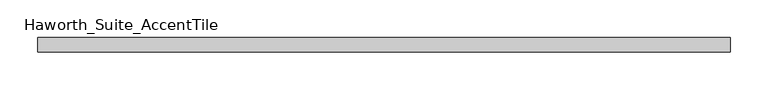
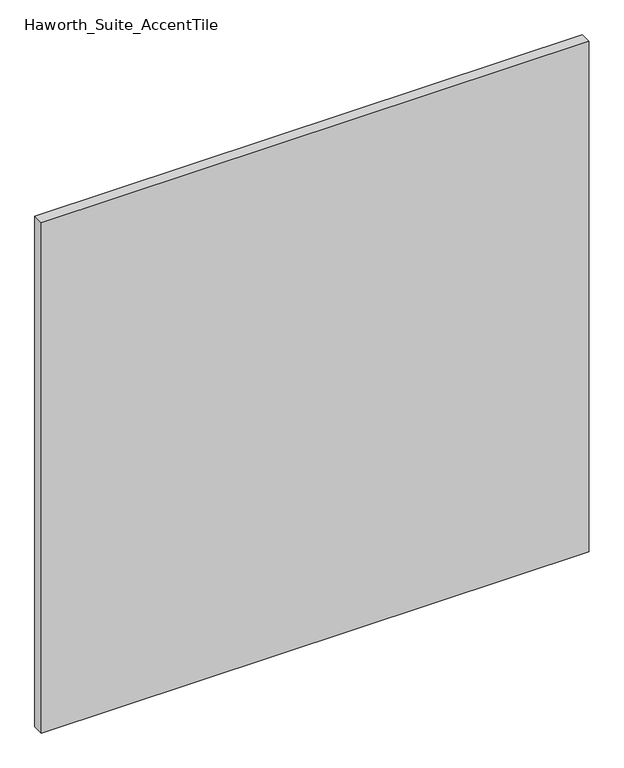
"""IFC4 building model written with IfcOpenShell, lengths in millimetres: furniture geometry, Haworth_Suite_AccentTile."""

from ifc_helpers import new_model, si_unit, frame, origin, place, context, project, spatial, polyline, outline, extrude, source, transform, mapped, element, save


def haworth_suite_accenttile_e69186eb(model_context):
    return source(origin(), model_context, "Body", "SweptSolid", [
        extrude(outline(polyline([(444.5, -12.7), (444.5, -31.75), (-469.9, -31.75), (-469.9, -12.7), (444.5, -12.7)])), frame((0.0, 0.0, 750.8875), z_axis=(0.0, 0.0, 1.0), x_axis=(1.0, 0.0, 0.0)), (0.0, 0.0, 1.0), 900.1125),
    ])


if __name__ == "__main__":
    model = new_model("IFC4")
    model_context = context("Model", 3, world=origin())
    ifc_project = project(units=[si_unit("LENGTHUNIT", "METRE", prefix="MILLI")], contexts=[model_context])
    site = spatial("IfcSite", under=ifc_project)
    building = spatial("IfcBuilding", under=site)
    placement = place(None, origin())
    haworth_suite_accenttile_shape = haworth_suite_accenttile_e69186eb(model_context)
    element("IfcFurniture", 1, ObjectType="Haworth_Suite_AccentTile", at=placement, inside=building, context=model_context, shape_type="MappedRepresentation", body=[
        mapped(haworth_suite_accenttile_shape, transform((0.0, 0.0, 0.0), x_axis=(1.0, 0.0, 0.0), y_axis=(0.0, 1.0, 0.0), z_axis=(0.0, 0.0, 1.0))),
    ])
    save(model, "model.ifc")
